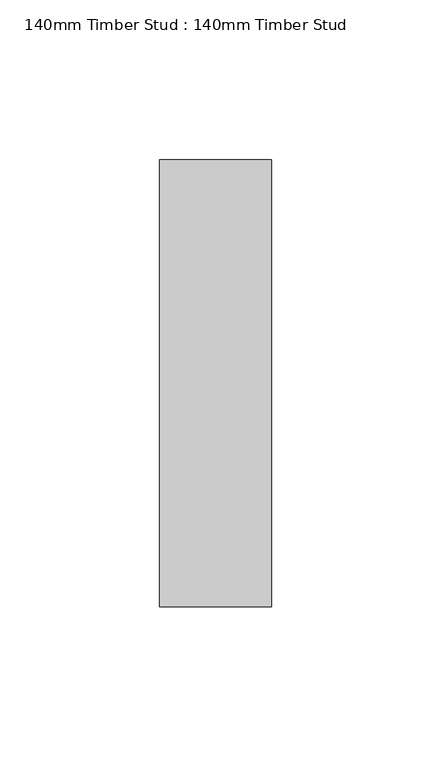
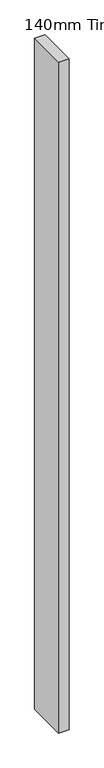
"""IFC4 building model written with IfcOpenShell, lengths in millimetres: proxy geometry, 140mm Timber Stud : 140mm Timber Stud."""

from ifc_helpers import new_model, si_unit, origin, origin_with_axes, place, context, project, spatial, polyline, outline, extrude, source, transform, mapped, element, save


def proxy_140mm_timber_stud_140mm_timber_stud_2ae94e66(model_context):
    return source(origin(), model_context, "Body", "SweptSolid", [
        extrude(outline(polyline([(17.5, 70.0), (17.5, -70.0), (-17.5, -70.0), (-17.5, 70.0), (17.5, 70.0)])), origin_with_axes(), (0.0, 0.0, 1.0), 2400.0),
    ])


if __name__ == "__main__":
    model = new_model("IFC4")
    model_context = context("Model", 3, world=origin())
    ifc_project = project(units=[si_unit("LENGTHUNIT", "METRE", prefix="MILLI")], contexts=[model_context])
    site = spatial("IfcSite", under=ifc_project)
    building = spatial("IfcBuilding", under=site)
    placement = place(None, origin())
    proxy_140mm_timber_stud_140mm_timber_stud_shape = proxy_140mm_timber_stud_140mm_timber_stud_2ae94e66(model_context)
    element("IfcBuildingElementProxy", 1, Name="140mm Timber Stud : 140mm Timber Stud", ObjectType="140mm Timber Stud : 140mm Timber Stud", at=placement, inside=building, context=model_context, shape_type="MappedRepresentation", body=[
        mapped(proxy_140mm_timber_stud_140mm_timber_stud_shape, transform((0.0, 0.0, 0.0), x_axis=(1.0, 0.0, 0.0), y_axis=(0.0, 1.0, 0.0), z_axis=(0.0, 0.0, 1.0))),
    ])
    save(model, "model.ifc")
